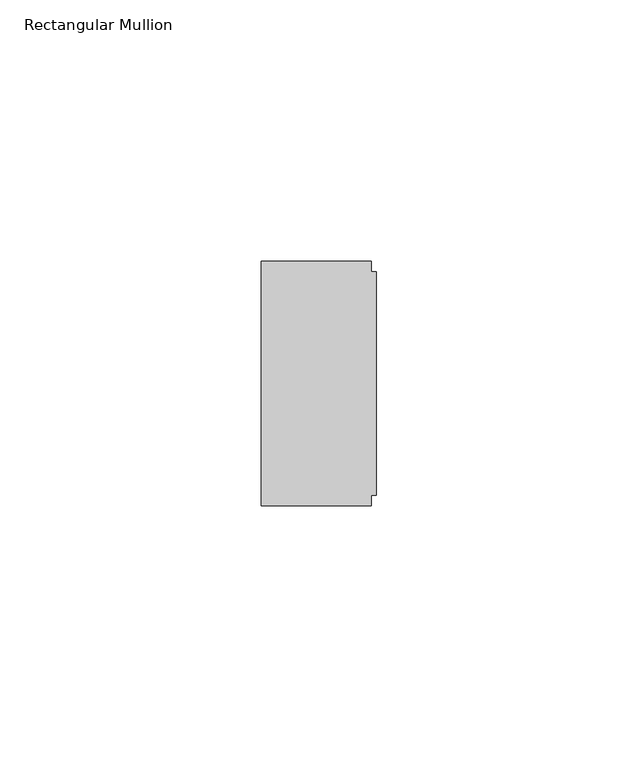
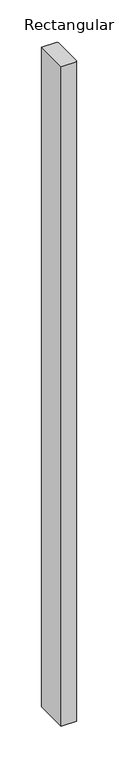
"""IFC4 building model written with IfcOpenShell, lengths in millimetres: member geometry, Rectangular Mullion."""

from ifc_helpers import new_model, si_unit, frame, origin, place, context, project, spatial, polyline, outline, extrude, source, transform, mapped, element, save


def rectangular_mullion_bb5a1e85(model_context):
    return source(origin(), model_context, "Body", "SweptSolid", [
        extrude(outline(polyline([(-1.0, 23.4), (-1.0, 21.4), (0.0, 21.4), (0.0, -21.4), (-1.0, -21.4), (-1.0, -23.4), (-22.0, -23.4), (-22.0, 23.4), (-1.0, 23.4)])), frame((0.0, 0.0, -961.5), z_axis=(0.0, 0.0, 1.0), x_axis=(1.0, 0.0, 0.0)), (0.0, 0.0, 1.0), 961.5),
    ])


if __name__ == "__main__":
    model = new_model("IFC4")
    model_context = context("Model", 3, world=origin())
    ifc_project = project(units=[si_unit("LENGTHUNIT", "METRE", prefix="MILLI")], contexts=[model_context])
    site = spatial("IfcSite", under=ifc_project)
    building = spatial("IfcBuilding", under=site)
    placement = place(None, origin())
    rectangular_mullion_shape = rectangular_mullion_bb5a1e85(model_context)
    element("IfcMember", 1, ObjectType="Rectangular Mullion", at=placement, inside=building, context=model_context, shape_type="MappedRepresentation", body=[
        mapped(rectangular_mullion_shape, transform((0.0, 0.0, 0.0), x_axis=(1.0, 0.0, 0.0), y_axis=(0.0, 1.0, 0.0), z_axis=(0.0, 0.0, 1.0))),
    ])
    save(model, "model.ifc")
